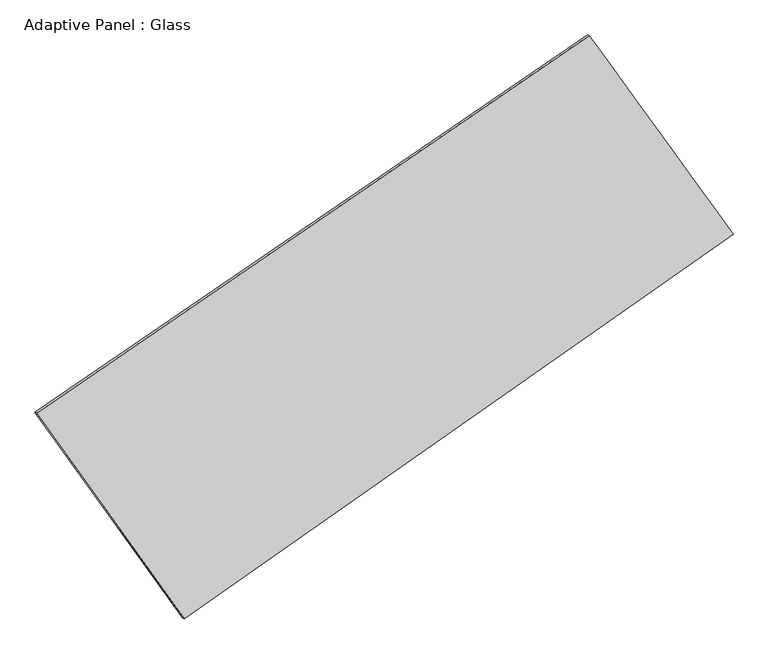
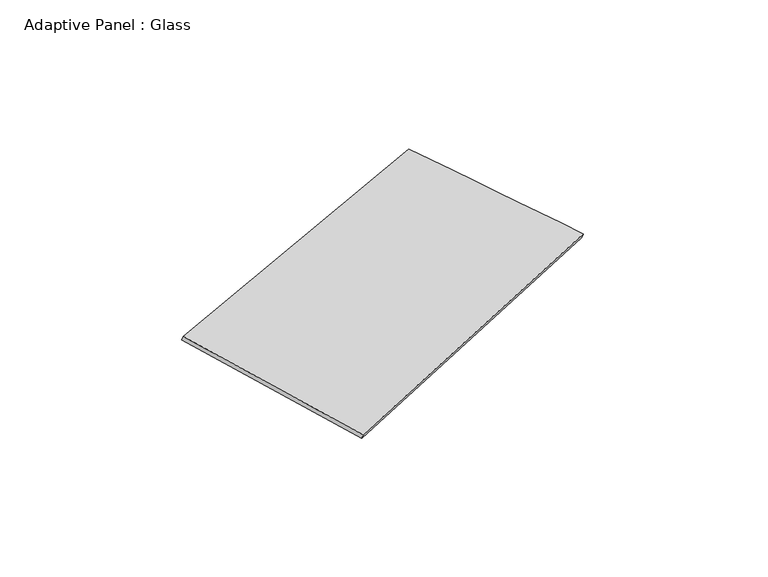
"""IFC4 building model written with IfcOpenShell, lengths in millimetres: plate geometry, Adaptive Panel : Glass."""

from ifc_helpers import new_model, si_unit, frame, origin, place, context, project, spatial, source, transform, mapped, element, save
from ifc_brep_helpers import plane_surface, spline_surface, advanced_brep


def adaptive_panel_glass_9867be6a(model_context):
    return source(origin(), model_context, "Body", "AdvancedBrep", [
        advanced_brep(
        [(1120.9820406, 2424.9452122, 627.329371), (-3692.8556587, -863.9129182, 1743.9762947), (-3678.1893028, -870.2930116, 1791.3492028), (1135.6483964, 2418.5651188, 674.702279), (-2405.3233913, -2656.0888098, 1036.3683098), (-2390.6570355, -2662.4689032, 1083.7412178), (2373.9064312, 694.8079429, 77.4485447), (2388.5727871, 688.4278494, 124.8214527)],
        [
            (0, 1),
            (1, 2),
            (2, 3),
            (3, 0),
            (1, 4),
            (4, 5),
            (5, 2),
            (4, 6),
            (6, 7),
            (7, 5),
            (6, 0),
            (3, 7),
        ],
        [
            plane_surface(frame((-1285.936809, 780.516147, 1185.6528329), z_axis=(-0.5009657918666423, 0.8235717239086348, 0.26601295261243935), x_axis=(-0.8109515887775743, -0.5540495739014895, 0.1881132380208957))),
            plane_surface(frame((-3049.089525, -1760.000864, 1390.1723023), z_axis=(-0.771980559891094, -0.6162032965018956, 0.15601125770414778), x_axis=(0.5555934492993165, -0.773356296085292, -0.30534563759930483))),
            plane_surface(frame((-15.70848, -980.6404335, 556.9084272), z_axis=(0.5160748126055078, -0.8131137150532983, -0.2692821460595072), x_axis=(0.8079634067797089, 0.5664933590920342, -0.16211232960373584))),
            plane_surface(frame((1747.4442359, 1559.8765776, 352.3889578), z_axis=(0.7753163817927888, 0.6115763027956753, -0.15766716202973696), x_axis=(-0.5680130252356734, 0.7843573896457565, 0.24928836409008998))),
            spline_surface(1, 1, [[(-3678.1893028, -870.2930116, 1791.3492028), (1135.6483964, 2418.5651188, 674.702279)], [(-2390.6570355, -2662.4689032, 1083.7412178), (2388.5727871, 688.4278494, 124.8214527)]], [2, 2], [2, 2], [0.0, 1.0], [0.0, 1.0]),
            spline_surface(1, 1, [[(2373.9064312, 694.8079429, 77.4485447), (1120.9820406, 2424.9452122, 627.329371)], [(-2405.3233913, -2656.0888098, 1036.3683098), (-3692.8556587, -863.9129182, 1743.9762947)]], [2, 2], [2, 2], [0.0, 1.0], [0.0, 1.0]),
        ],
        [
            (0, [[1, 2, 3, 4]]),
            (1, [[5, 6, 7, -2]]),
            (2, [[8, 9, 10, -6]]),
            (3, [[11, -4, 12, -9]]),
            (4, [[-3, -7, -10, -12]]),
            (5, [[-11, -8, -5, -1]]),
        ],
    ),
    ])


if __name__ == "__main__":
    model = new_model("IFC4")
    model_context = context("Model", 3, world=origin())
    ifc_project = project(units=[si_unit("LENGTHUNIT", "METRE", prefix="MILLI")], contexts=[model_context])
    site = spatial("IfcSite", under=ifc_project)
    building = spatial("IfcBuilding", under=site)
    placement = place(None, origin())
    adaptive_panel_glass_shape = adaptive_panel_glass_9867be6a(model_context)
    element("IfcPlate", 1, ObjectType="Adaptive Panel : Glass", at=placement, inside=building, context=model_context, shape_type="MappedRepresentation", body=[
        mapped(adaptive_panel_glass_shape, transform((0.0, 0.0, 0.0), x_axis=(1.0, 0.0, 0.0), y_axis=(0.0, 1.0, 0.0), z_axis=(0.0, 0.0, 1.0))),
    ])
    save(model, "model.ifc")
